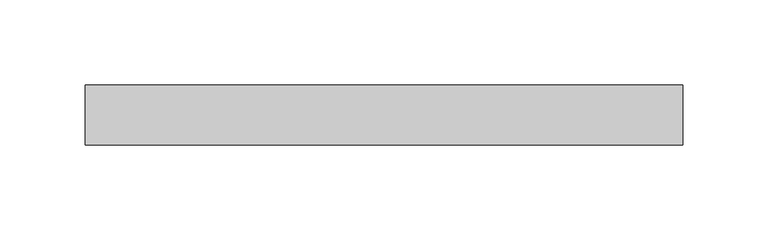
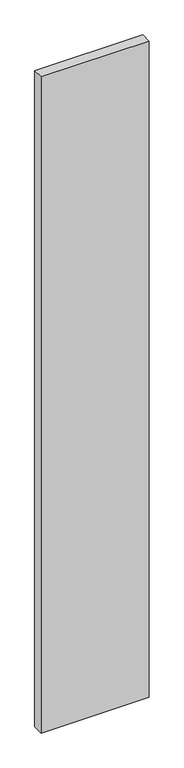
"""IFC4 building model written with IfcOpenShell, lengths in millimetres: plate geometry."""

import ifcopenshell
import ifcopenshell.guid

model = None  # the IFC model being written
_history = None  # IfcOwnerHistory: only IFC2X3 demands one
_inside = {}  # id of a spatial element -> (the spatial element, [elements in it])
_under = {}  # id of a project, library or spatial element -> (it, [spatial elements below it])
_declared = {}  # id of a project -> (the project, [libraries it declares])
_typed = {}  # id of a type object -> (the type object, [elements of that type])
_made_of = {}  # id of a material, layer set ... -> (it, [elements and type objects made of it])


def new_model(schema):
    """Start an empty IFC model of exactly this schema.

    Asked for "IFC4X3", IfcOpenShell would pick the latest addendum, in which some entities
    have other attributes; the version numbers below select the first issue.
    IFC2X3 requires an IfcOwnerHistory on every rooted entity: one is made here for all.
    """
    global model, _history
    if schema == "IFC4X3":
        model = ifcopenshell.file(schema_version=(4, 3, 0, 0))
    else:
        model = ifcopenshell.file(schema=schema)
    _inside.clear()
    _under.clear()
    _declared.clear()
    _typed.clear()
    _made_of.clear()
    _history = None
    if model.schema == "IFC2X3":
        org = make("IfcOrganization", Name="unknown")
        user = make(
            "IfcPersonAndOrganization",
            ThePerson=make("IfcPerson", FamilyName="unknown"),
            TheOrganization=org,
        )
        app = make(
            "IfcApplication",
            ApplicationDeveloper=org,
            Version="unknown",
            ApplicationFullName="unknown",
            ApplicationIdentifier="unknown",
        )
        _history = make(
            "IfcOwnerHistory",
            OwningUser=user,
            OwningApplication=app,
            ChangeAction="ADDED",
            CreationDate=0,
        )
    return model


def make(cls, **values):
    """One entity of the class cls with the attributes given. An attribute that is None is left unset."""
    return model.create_entity(
        cls, **{name: value for name, value in values.items() if value is not None}
    )


def rooted(cls, **values):
    """An entity with a GlobalId (a new one), such as an element, a storey or a relation."""
    return make(cls, GlobalId=ifcopenshell.guid.new(), OwnerHistory=_history, **values)


def si_unit(unit_type, name, prefix=None):
    """IfcSIUnit, for example si_unit("LENGTHUNIT", "METRE", prefix="MILLI")."""
    return make("IfcSIUnit", UnitType=unit_type, Prefix=prefix, Name=name)


def assignment(units):
    """IfcUnitAssignment: the units of a project."""
    return None if units is None else make("IfcUnitAssignment", Units=units)


def point(xyz):
    """IfcCartesianPoint."""
    return None if xyz is None else make("IfcCartesianPoint", Coordinates=xyz)


def direction(xyz):
    """IfcDirection."""
    return None if xyz is None else make("IfcDirection", DirectionRatios=xyz)


def frame(location, z_axis=None, x_axis=None):
    """IfcAxis2Placement3D, a coordinate frame: its origin and axes. An axis left out is left unset."""
    return make(
        "IfcAxis2Placement3D",
        Location=point(location),
        Axis=direction(z_axis),
        RefDirection=direction(x_axis),
    )


def origin():
    """The frame at (0, 0, 0) with its axes left unset."""
    return frame((0.0, 0.0, 0.0))


def origin_with_axes():
    """The frame at (0, 0, 0) with the z axis (0, 0, 1) and the x axis (1, 0, 0) written out."""
    return frame((0.0, 0.0, 0.0), z_axis=(0.0, 0.0, 1.0), x_axis=(1.0, 0.0, 0.0))


def place(relative_to, where):
    """IfcLocalPlacement: puts the frame where relative to a parent placement (None: the world)."""
    return make(
        "IfcLocalPlacement", PlacementRelTo=relative_to, RelativePlacement=where
    )


def context(
    kind, dimensions, precision=None, world=None, true_north=None, identifier=None
):
    """IfcGeometricRepresentationContext, for example the 3D "Model" context."""
    return make(
        "IfcGeometricRepresentationContext",
        ContextIdentifier=identifier,
        ContextType=kind,
        CoordinateSpaceDimension=dimensions,
        Precision=precision,
        WorldCoordinateSystem=world,
        TrueNorth=true_north,
    )


def project(units=None, contexts=None):
    """IfcProject with its units and contexts."""
    return rooted(
        "IfcProject",
        Name="project",
        RepresentationContexts=contexts,
        UnitsInContext=assignment(units),
    )


def spatial(cls, under=None, at=None, **own):
    """A site, building, storey or space (cls), placed at a placement, below another one or the project."""
    s = rooted(cls, ObjectPlacement=at, **own)
    if under is not None:
        _under.setdefault(under.id(), (under, []))[1].append(s)
    return s


def polyline(points):
    """IfcPolyline through the points."""
    return make("IfcPolyline", Points=[point(p) for p in points])


def outline(outer, holes=None, kind="AREA"):
    """IfcArbitraryClosedProfileDef: a profile drawn as a closed curve; with holes, ...WithVoids."""
    if holes is None:
        return make("IfcArbitraryClosedProfileDef", ProfileType=kind, OuterCurve=outer)
    return make(
        "IfcArbitraryProfileDefWithVoids",
        ProfileType=kind,
        OuterCurve=outer,
        InnerCurves=holes,
    )


def extrude(swept, where, along, depth):
    """IfcExtrudedAreaSolid: the profile swept, set in the frame where, extruded along a direction by depth."""
    return make(
        "IfcExtrudedAreaSolid",
        SweptArea=swept,
        Position=where,
        ExtrudedDirection=direction(along),
        Depth=depth,
    )


def shape(context_of_items, identifier, shape_type, items):
    """IfcShapeRepresentation: the items that make up one representation, for example the "Body"."""
    return make(
        "IfcShapeRepresentation",
        ContextOfItems=context_of_items,
        RepresentationIdentifier=identifier,
        RepresentationType=shape_type,
        Items=items,
    )


def source(mapping_origin, context_of_items, identifier, shape_type, items):
    """IfcRepresentationMap: a shape defined once, which mapped items show again and again."""
    return make(
        "IfcRepresentationMap",
        MappingOrigin=mapping_origin,
        MappedRepresentation=shape(context_of_items, identifier, shape_type, items),
    )


def transform(
    local_origin,
    x_axis=None,
    y_axis=None,
    z_axis=None,
    scale=None,
    scale2=None,
    scale3=None,
    uniform=True,
):
    """IfcCartesianTransformationOperator3D, or its non-uniform kind. x_axis, y_axis, z_axis: its Axis1, 2, 3."""
    if uniform:
        return make(
            "IfcCartesianTransformationOperator3D",
            Axis1=direction(x_axis),
            Axis2=direction(y_axis),
            LocalOrigin=point(local_origin),
            Scale=scale,
            Axis3=direction(z_axis),
        )
    return make(
        "IfcCartesianTransformationOperator3DnonUniform",
        Axis1=direction(x_axis),
        Axis2=direction(y_axis),
        LocalOrigin=point(local_origin),
        Scale=scale,
        Axis3=direction(z_axis),
        Scale2=scale2,
        Scale3=scale3,
    )


def mapped(mapping_source, mapping_target):
    """IfcMappedItem: shows the shape of a source again, moved by a transform."""
    return make(
        "IfcMappedItem", MappingSource=mapping_source, MappingTarget=mapping_target
    )


def made_of(thing, what):
    """Note that an element or type object is made of a material, layer set ...; save() writes the relation."""
    if what is not None:
        _made_of.setdefault(what.id(), (what, []))[1].append(thing)
    return thing


def element(
    cls,
    number,
    at=None,
    inside=None,
    cuts=None,
    type_object=None,
    material=None,
    context=None,
    identifier="Body",
    shape_type=None,
    held_by="IfcProductDefinitionShape",
    body=None,
    shapes=None,
    **own,
):
    """One element of the class cls, such as IfcWall. Its Tag is "e" and its number.

    at: its placement. inside: the storey or other place that contains it. cuts: it is an
    opening in that element (IfcRelVoidsElement). A single representation is given by context,
    identifier, shape_type and body (its items); several are given by shapes. held_by: the class
    of the entity that holds the representations. save() writes the other relations.
    """
    e = rooted(cls, Tag="e%d" % number, ObjectPlacement=at, **own)
    if body is not None:
        shapes = [shape(context, identifier, shape_type, body)]
    if shapes is not None:
        e.Representation = make(held_by, Representations=shapes)
    if inside is not None:
        _inside.setdefault(inside.id(), (inside, []))[1].append(e)
    if cuts is not None:
        rooted(
            "IfcRelVoidsElement", RelatingBuildingElement=cuts, RelatedOpeningElement=e
        )
    if type_object is not None:
        _typed.setdefault(type_object.id(), (type_object, []))[1].append(e)
    return made_of(e, material)


def aggregate(whole, parts):
    """IfcRelAggregates: a whole, such as a stair, and the parts it consists of."""
    return rooted("IfcRelAggregates", RelatingObject=whole, RelatedObjects=parts)


def save(model, path):
    """Write the relations noted so far, then the file.

    IfcRelAggregates (storeys below a building ...), IfcRelContainedInSpatialStructure (elements
    in a storey), IfcRelDefinesByType, IfcRelAssociatesMaterial and IfcRelDeclares: one each for
    every whole, place, type object, material and project.
    """
    for whole, parts in _under.values():
        aggregate(whole, parts)
    for where, things in _inside.values():
        rooted(
            "IfcRelContainedInSpatialStructure",
            RelatedElements=things,
            RelatingStructure=where,
        )
    for kind, things in _typed.values():
        rooted("IfcRelDefinesByType", RelatedObjects=things, RelatingType=kind)
    for what, things in _made_of.values():
        rooted("IfcRelAssociatesMaterial", RelatedObjects=things, RelatingMaterial=what)
    for by, libraries in _declared.values():
        rooted("IfcRelDeclares", RelatingContext=by, RelatedDefinitions=libraries)
    model.write(path)


def plate_f4994246(model_context):
    return source(origin(), model_context, "Body", "SweptSolid", [
        extrude(outline(polyline([(175.0625, -17.5), (-175.0625, -17.5), (-175.0625, 17.5), (175.0625, 17.5), (175.0625, -17.5)])), origin_with_axes(), (0.0, 0.0, 1.0), 2243.8125),
    ])


if __name__ == "__main__":
    model = new_model("IFC4")
    model_context = context("Model", 3, world=origin())
    ifc_project = project(units=[si_unit("LENGTHUNIT", "METRE", prefix="MILLI")], contexts=[model_context])
    site = spatial("IfcSite", under=ifc_project)
    building = spatial("IfcBuilding", under=site)
    placement = place(None, origin())
    plate_shape = plate_f4994246(model_context)
    element("IfcPlate", 1, at=placement, inside=building, context=model_context, shape_type="MappedRepresentation", body=[
        mapped(plate_shape, transform((0.0, 0.0, 0.0), x_axis=(1.0, 0.0, 0.0), y_axis=(0.0, 1.0, 0.0), z_axis=(0.0, 0.0, 1.0))),
    ])
    save(model, "model.ifc")
